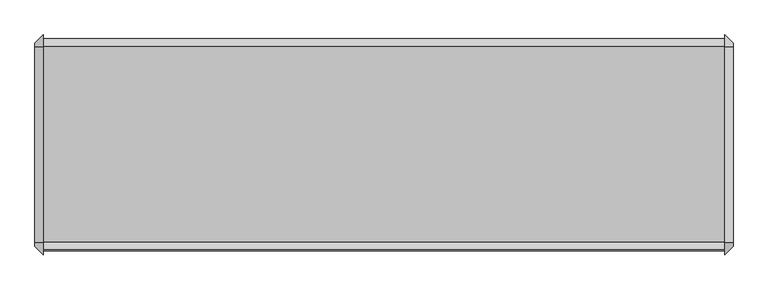
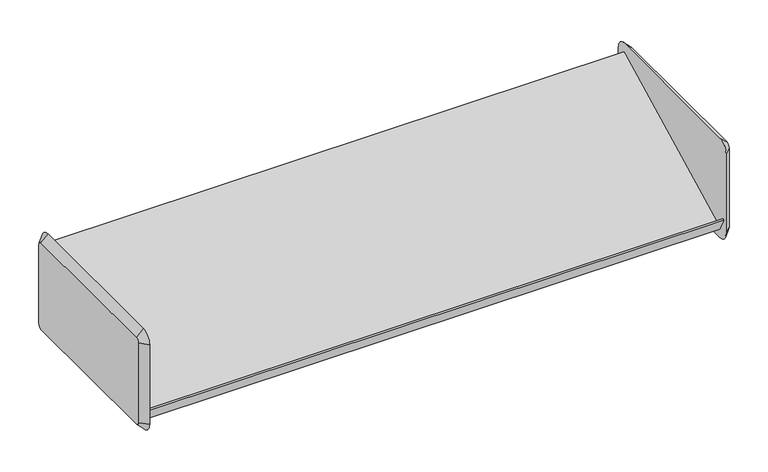
"""IFC4 building model written with IfcOpenShell, lengths in millimetres: furniture geometry."""

from ifc_helpers import new_model, si_unit, frame, origin, place, context, project, spatial, polyline, circle_curve, outline, extrude, source, transform, mapped, element, save
from ifc_brep_helpers import plane_surface, revolved_surface, advanced_brep


def furniture_4c58cbe1(model_context):
    return source(origin(), model_context, "Body", "SolidModel", [
        advanced_brep(
        [(409.4579955, 161.925, 1282.7), (409.4579955, -136.525, 1282.7), (409.4579955, -142.875, 1276.35), (409.4579955, -142.875, 1123.95), (409.4579955, -136.525, 1117.6), (409.4579955, 161.925, 1117.6), (409.4579955, 168.275, 1123.95), (409.4579955, 168.275, 1276.35), (396.7579955, 161.925, 1295.4), (396.7579955, 180.975, 1276.35), (396.7579955, 180.975, 1123.95), (396.7579955, 161.925, 1104.9), (396.7579955, -136.525, 1104.9), (396.7579955, -155.575, 1123.95), (396.7579955, -155.575, 1276.35), (396.7579955, -136.525, 1295.4)],
        [
            (0, 1),
            (1, 2, circle_curve(frame((409.4579955, -136.525, 1276.35), z_axis=(1.0, 2.0730084315777133e-12, -2.152944489350633e-12), x_axis=(2.152910779350726e-12, 0.0, 1.0)), 6.35)),
            (2, 3),
            (3, 4, circle_curve(frame((409.4579955, -136.525, 1123.95), z_axis=(1.0, 2.059685755282227e-12, 2.0570212200231297e-12), x_axis=(2.0596472873046784e-12, -1.0, 0.0)), 6.35)),
            (4, 5),
            (5, 6, circle_curve(frame((409.4579955, 161.925, 1123.95), z_axis=(1.0, 2.0889956431322974e-12, -2.078337502095908e-12), x_axis=(-2.0783313875587606e-12, 0.0, -1.0)), 6.35)),
            (6, 7),
            (7, 0, circle_curve(frame((409.4579955, 161.925, 1276.35), z_axis=(1.0, 2.078337502095908e-12, 2.003730514841183e-12), x_axis=(-2.078331387558747e-12, 1.0, 0.0)), 6.35)),
            (8, 9, circle_curve(frame((396.7579955, 161.925, 1276.35), z_axis=(-1.0, -2.078337502095908e-12, -2.003730514841183e-12), x_axis=(-2.078331387558747e-12, 1.0, 0.0)), 19.05)),
            (9, 10),
            (10, 11, circle_curve(frame((396.7579955, 161.925, 1123.95), z_axis=(-1.0, -2.0889956431322974e-12, 2.078337502095908e-12), x_axis=(-2.0783313875587606e-12, 0.0, -1.0)), 19.05)),
            (11, 12),
            (12, 13, circle_curve(frame((396.7579955, -136.525, 1123.95), z_axis=(-1.0, -2.059685755282227e-12, -2.0570212200231297e-12), x_axis=(2.0596472873046784e-12, -1.0, 0.0)), 19.05)),
            (13, 14),
            (14, 15, circle_curve(frame((396.7579955, -136.525, 1276.35), z_axis=(-1.0, -2.0730084315777133e-12, 2.152944489350633e-12), x_axis=(2.152910779350726e-12, 0.0, 1.0)), 19.05)),
            (15, 8),
            (15, 1),
            (0, 8),
            (14, 2),
            (13, 3),
            (12, 4),
            (11, 5),
            (10, 6),
            (9, 7),
        ],
        [
            plane_surface(frame((409.4579955, 12.7, 1200.15), z_axis=(1.0, 0.0, 0.0), x_axis=(0.0, -1.0, 0.0))),
            plane_surface(frame((396.7579955, 12.7, 1200.15), z_axis=(-1.0, 0.0, 0.0), x_axis=(0.0, -1.0, 0.0))),
            plane_surface(frame((396.7579955, 12.7, 1295.4), z_axis=(0.7071067811861783, 0.0, 0.7071067811869168), x_axis=(0.0, -1.0, 0.0))),
            revolved_surface(polyline([(409.4579955000137, -136.525, 1282.6999999999864), (396.7579955, -136.525, 1295.4)]), (415.8079955, -136.525, 1276.35), (-1.0, -2.0730084315777133e-12, 2.152944489350633e-12)),
            plane_surface(frame((396.7579955, -155.575, 1200.15), z_axis=(0.7071067811861425, -0.7071067811869526, 0.0), x_axis=(0.0, 0.0, -1.0))),
            revolved_surface(polyline([(409.45799550001306, -142.87499999998695, 1123.95), (396.7579955, -155.575, 1123.95)]), (415.8079955, -136.525, 1123.95), (-1.0, -2.059685755282227e-12, -2.0570212200231297e-12)),
            plane_surface(frame((396.7579955, 12.7, 1104.9), z_axis=(0.7071067811861368, 0.0, -0.7071067811869582), x_axis=(0.0, 1.0, 0.0))),
            revolved_surface(polyline([(409.45799550000004, 161.925, 1117.6000000000001), (396.75799549996043, 161.925, 1104.8999999999605)]), (415.8079955, 161.925, 1123.95), (-1.0, -2.0889956431322974e-12, 2.078337502095908e-12)),
            plane_surface(frame((396.7579955, 180.975, 1200.15), z_axis=(0.7071067811861415, 0.7071067811869536, 0.0), x_axis=(0.0, 0.0, 1.0))),
            revolved_surface(polyline([(409.4579955, 168.27500000000003, 1276.35), (396.75799549996043, 180.97500000003959, 1276.35)]), (415.8079955, 161.925, 1276.35), (-1.0, -2.078337502095908e-12, -2.003730514841183e-12)),
        ],
        [
            (0, [[1, 2, 3, 4, 5, 6, 7, 8]]),
            (1, [[9, 10, 11, 12, 13, 14, 15, 16]]),
            (2, [[-16, 17, -1, 18]]),
            (3, [[-15, 19, -2, -17]]),
            (4, [[-14, 20, -3, -19]]),
            (5, [[-13, 21, -4, -20]]),
            (6, [[-12, 22, -5, -21]]),
            (7, [[-11, 23, -6, -22]]),
            (8, [[-10, 24, -7, -23]]),
            (9, [[-9, -18, -8, -24]]),
        ],
    ),
        advanced_brep(
        [(-657.3420045, -136.525, 1282.7), (-657.3420045, 161.925, 1282.7), (-657.3420045, 168.275, 1276.35), (-657.3420045, 168.275, 1123.95), (-657.3420045, 161.925, 1117.6), (-657.3420045, -136.525, 1117.6), (-657.3420045, -142.875, 1123.95), (-657.3420045, -142.875, 1276.35), (-644.6420045, -136.525, 1295.4), (-644.6420045, -155.575, 1276.35), (-644.6420045, -155.575, 1123.95), (-644.6420045, -136.525, 1104.9), (-644.6420045, 161.925, 1104.9), (-644.6420045, 180.975, 1123.95), (-644.6420045, 180.975, 1276.35), (-644.6420045, 161.925, 1295.4)],
        [
            (0, 1),
            (1, 2, circle_curve(frame((-657.3420045, 161.925, 1276.35), z_axis=(-1.0, 0.0, 0.0), x_axis=(0.0, 0.0, 1.0)), 6.35)),
            (2, 3),
            (3, 4, circle_curve(frame((-657.3420045, 161.925, 1123.95), z_axis=(-1.0, 0.0, 0.0), x_axis=(0.0, 1.0, 0.0)), 6.35)),
            (4, 5),
            (5, 6, circle_curve(frame((-657.3420045, -136.525, 1123.95), z_axis=(-1.0, 0.0, 0.0), x_axis=(0.0, 0.0, -1.0)), 6.35)),
            (6, 7),
            (7, 0, circle_curve(frame((-657.3420045, -136.525, 1276.35), z_axis=(-1.0, 0.0, 0.0), x_axis=(0.0, -1.0, 0.0)), 6.35)),
            (8, 9, circle_curve(frame((-644.6420045, -136.525, 1276.35), z_axis=(1.0, 0.0, 0.0), x_axis=(0.0, -1.0, 0.0)), 19.05)),
            (9, 10),
            (10, 11, circle_curve(frame((-644.6420045, -136.525, 1123.95), z_axis=(1.0, 0.0, 0.0), x_axis=(0.0, 0.0, -1.0)), 19.05)),
            (11, 12),
            (12, 13, circle_curve(frame((-644.6420045, 161.925, 1123.95), z_axis=(1.0, 0.0, 0.0), x_axis=(0.0, 1.0, 0.0)), 19.05)),
            (13, 14),
            (14, 15, circle_curve(frame((-644.6420045, 161.925, 1276.35), z_axis=(1.0, 0.0, 0.0), x_axis=(0.0, 0.0, 1.0)), 19.05)),
            (15, 8),
            (15, 1),
            (0, 8),
            (14, 2),
            (13, 3),
            (12, 4),
            (11, 5),
            (10, 6),
            (9, 7),
        ],
        [
            plane_surface(frame((-657.3420045, 12.7, 1200.15), z_axis=(-1.0, 0.0, 0.0), x_axis=(0.0, -1.0, 0.0))),
            plane_surface(frame((-644.6420045, 12.7, 1200.15), z_axis=(1.0, 0.0, 0.0), x_axis=(0.0, -1.0, 0.0))),
            plane_surface(frame((-644.6420045, 12.7, 1295.4), z_axis=(-0.7071067811865136, 0.0, 0.7071067811865814), x_axis=(0.0, 1.0, 0.0))),
            revolved_surface(polyline([(-657.3420045, 161.925, 1282.7), (-644.6420045, 161.925, 1295.4)]), (-663.6920045, 161.925, 1276.35), (1.0, 0.0, 0.0)),
            plane_surface(frame((-644.6420045, 180.975, 1200.15), z_axis=(-0.7071067811865447, 0.7071067811865503, 0.0), x_axis=(0.0, 0.0, -1.0))),
            revolved_surface(polyline([(-657.3420045, 168.275, 1123.95), (-644.6420045, 180.975, 1123.95)]), (-663.6920045, 161.925, 1123.95), (1.0, 0.0, 0.0)),
            plane_surface(frame((-644.6420045, 12.7, 1104.9), z_axis=(-0.7071067811865476, 0.0, -0.7071067811865476), x_axis=(0.0, -1.0, 0.0))),
            revolved_surface(polyline([(-657.3420045, -136.525, 1117.6000000000001), (-644.6420045, -136.525, 1104.9)]), (-663.6920045, -136.525, 1123.95), (1.0, 0.0, 0.0)),
            plane_surface(frame((-644.6420045, -155.575, 1200.15), z_axis=(-0.7071067811865457, -0.7071067811865495, 0.0), x_axis=(0.0, 0.0, 1.0))),
            revolved_surface(polyline([(-657.3420045, -142.875, 1276.35), (-644.6420045, -155.575, 1276.35)]), (-663.6920045, -136.525, 1276.35), (1.0, 0.0, 0.0)),
        ],
        [
            (0, [[1, 2, 3, 4, 5, 6, 7, 8]]),
            (1, [[9, 10, 11, 12, 13, 14, 15, 16]]),
            (2, [[-16, 17, -1, 18]]),
            (3, [[-15, 19, -2, -17]]),
            (4, [[-14, 20, -3, -19]]),
            (5, [[-13, 21, -4, -20]]),
            (6, [[-12, 22, -5, -21]]),
            (7, [[-11, 23, -6, -22]]),
            (8, [[-10, 24, -7, -23]]),
            (9, [[-9, -18, -8, -24]]),
        ],
    ),
        extrude(outline(polyline([(-137.2094993, 1121.8179666), (-149.845093, 1146.2467844), (-147.0173828, 1147.6907216), (-135.8404765, 1126.0820334), (162.5893131, 1278.4717194), (175.2453599, 1254.8470972), (172.4171401, 1253.4028998), (161.2606869, 1274.2282806), (-137.2094993, 1121.8179666)])), frame((-644.6420045, 0.0, 0.0), z_axis=(1.0, 0.0, 0.0), x_axis=(0.0, 1.0, 0.0)), (0.0, 0.0, 1.0), 1041.4),
    ])


if __name__ == "__main__":
    model = new_model("IFC4")
    model_context = context("Model", 3, world=origin())
    ifc_project = project(units=[si_unit("LENGTHUNIT", "METRE", prefix="MILLI")], contexts=[model_context])
    site = spatial("IfcSite", under=ifc_project)
    building = spatial("IfcBuilding", under=site)
    placement = place(None, origin())
    furniture_shape = furniture_4c58cbe1(model_context)
    element("IfcFurniture", 1, at=placement, inside=building, context=model_context, shape_type="MappedRepresentation", body=[
        mapped(furniture_shape, transform((0.0, 0.0, 0.0), x_axis=(1.0, 0.0, 0.0), y_axis=(0.0, 1.0, 0.0), z_axis=(0.0, 0.0, 1.0))),
    ])
    save(model, "model.ifc")
